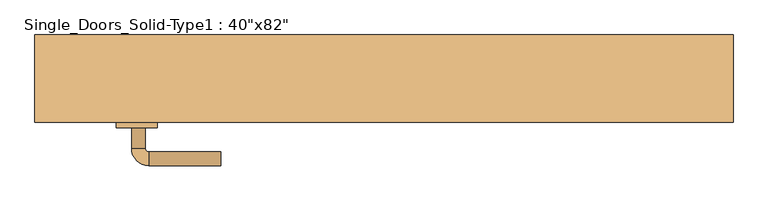
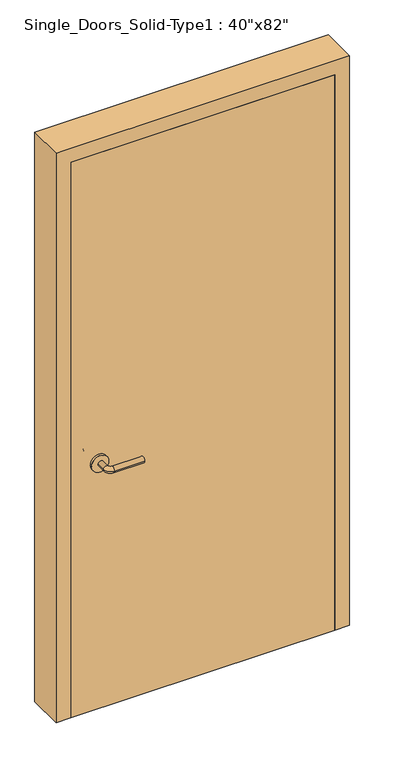
"""IFC4 building model written with IfcOpenShell, lengths in millimetres: door geometry."""

from ifc_helpers import new_model, si_unit, point, frame, frame_2d, origin, origin_with_axes, place, context, project, spatial, polyline, circle_curve, ellipse_curve, trimmed, segment, composite_curve, outline, extrude, faceted_brep, source, transform, mapped, element, save
from ifc_brep_helpers import plane_surface, cylinder_surface, revolved_surface, advanced_brep


def door_a2517e42(model_context):
    return source(origin(), model_context, "Body", "SolidModel", [
        advanced_brep(
        [(-367.2, -17.4, 900.0), (-347.2, -17.4, 900.0), (-367.2, 12.6, 900.0), (-347.2, 12.6, 900.0), (-342.2, 17.6, 900.0), (-342.2, 37.6, 900.0), (-237.2, 37.6, 900.0), (-237.2, 17.6, 900.0)],
        [
            (0, 1, circle_curve(frame((-357.2, -17.4, 900.0), z_axis=(0.0, -1.0, 0.0), x_axis=(1.0, 0.0, 0.0)), 10.0)),
            (1, 0, circle_curve(frame((-357.2, -17.4, 900.0), z_axis=(0.0, -1.0, 0.0), x_axis=(1.0, 0.0, 0.0)), 10.0)),
            (0, 2),
            (2, 3, circle_curve(frame((-357.2, 12.6, 900.0), z_axis=(0.0, -1.0, 0.0), x_axis=(1.0, 0.0, 0.0)), 10.0)),
            (3, 1),
            (3, 2, circle_curve(frame((-357.2, 12.6, 900.0), z_axis=(0.0, -1.0, 0.0), x_axis=(1.0, 0.0, 0.0)), 10.0)),
            (4, 3, circle_curve(frame((-342.2, 12.6, 900.0), z_axis=(0.0, 0.0, 1.0), x_axis=(-1.0, 0.0, 0.0)), 5.0)),
            (2, 5, circle_curve(frame((-342.2, 12.6, 900.0), z_axis=(0.0, 0.0, -1.0), x_axis=(-1.0, 0.0, 0.0)), 25.0)),
            (5, 4, circle_curve(frame((-342.2, 27.6, 900.0), z_axis=(-1.0, 0.0, 0.0), x_axis=(0.0, -1.0, 0.0)), 10.0)),
            (4, 5, circle_curve(frame((-342.2, 27.6, 900.0), z_axis=(-1.0, 0.0, 0.0), x_axis=(0.0, -1.0, 0.0)), 10.0)),
            (6, 7, circle_curve(frame((-237.2, 27.6, 900.0), z_axis=(1.0, 0.0, 0.0), x_axis=(0.0, -1.0, 0.0)), 10.0)),
            (7, 6, circle_curve(frame((-237.2, 27.6, 900.0), z_axis=(1.0, 0.0, 0.0), x_axis=(0.0, -1.0, 0.0)), 10.0)),
            (5, 6),
            (7, 4),
        ],
        [
            plane_surface(frame((-357.2, -17.4, 900.0), z_axis=(0.0, -1.0, 0.0), x_axis=(0.0, 0.0, 1.0))),
            cylinder_surface(frame((-357.2, -17.4, 900.0), z_axis=(0.0, -1.0, 0.0), x_axis=(1.0, 0.0, 0.0)), 10.0),
            revolved_surface(trimmed(ellipse_curve(frame((-357.2, 12.6, 900.0), z_axis=(0.0, -1.0, 0.0), x_axis=(1.0, 0.0, 0.0)), 10.0, 10.0), [point((-367.2, 12.6, 900.0))], [point((-347.2, 12.6, 900.0))], True, "CARTESIAN"), (-342.2, 12.6, 900.0), (0.0, 0.0, -1.0)),
            revolved_surface(trimmed(ellipse_curve(frame((-357.2, 12.6, 900.0), z_axis=(0.0, -1.0, 0.0), x_axis=(1.0, 0.0, 0.0)), 10.0, 10.0), [point((-347.2, 12.6, 900.0))], [point((-367.2, 12.6, 900.0))], True, "CARTESIAN"), (-342.2, 12.6, 900.0), (0.0, 0.0, -1.0)),
            plane_surface(frame((-237.2, 27.6, 900.0), z_axis=(1.0, 0.0, 0.0), x_axis=(0.0, 0.0, 1.0))),
            cylinder_surface(frame((-342.2, 27.6, 900.0), z_axis=(-1.0, 0.0, 0.0), x_axis=(0.0, -1.0, 0.0)), 10.0),
        ],
        [
            (0, [[1, 2]]),
            (1, [[-1, 3, 4, 5]]),
            (1, [[-2, -5, 6, -3]]),
            (2, [[7, -4, 8, 9]]),
            (3, [[-8, -6, -7, 10]]),
            (4, [[11, 12]]),
            (5, [[-9, 13, -12, 14]]),
            (5, [[-10, -14, -11, -13]]),
        ],
    ),
        extrude(outline(composite_curve([segment(trimmed(circle_curve(frame_2d((900.0, -359.7)), 30.0), [point((900.0, -389.7))], [point((900.0, -329.7))], False, "CARTESIAN"), True, "CONTINUOUS"), segment(trimmed(circle_curve(frame_2d((900.0, -359.7)), 30.0), [point((900.0, -329.7))], [point((900.0, -389.7))], False, "CARTESIAN"), True, "CONTINUOUS")], self_intersect=False)), frame((0.0, -25.4, 0.0), z_axis=(0.0, 1.0, 0.0), x_axis=(0.0, 0.0, 1.0)), (0.0, 0.0, 1.0), 8.0),
        advanced_brep(
        [(-367.2, -71.5, 900.0), (-347.2, -71.5, 900.0), (-347.2, -101.5, 900.0), (-367.2, -101.5, 900.0), (-342.2, -106.5, 900.0), (-342.2, -126.5, 900.0), (-237.2, -126.5, 900.0), (-237.2, -106.5, 900.0)],
        [
            (0, 1, circle_curve(frame((-357.2, -71.5, 900.0), z_axis=(0.0, 1.0, 0.0), x_axis=(1.0, 0.0, 0.0)), 10.0)),
            (1, 0, circle_curve(frame((-357.2, -71.5, 900.0), z_axis=(0.0, 1.0, 0.0), x_axis=(1.0, 0.0, 0.0)), 10.0)),
            (1, 2),
            (2, 3, circle_curve(frame((-357.2, -101.5, 900.0), z_axis=(0.0, 1.0, 0.0), x_axis=(1.0, 0.0, 0.0)), 10.0)),
            (3, 0),
            (3, 2, circle_curve(frame((-357.2, -101.5, 900.0), z_axis=(0.0, 1.0, 0.0), x_axis=(1.0, 0.0, 0.0)), 10.0)),
            (4, 5, circle_curve(frame((-342.2, -116.5, 900.0), z_axis=(-1.0, 0.0, 0.0), x_axis=(0.0, 1.0, 0.0)), 10.0)),
            (5, 3, circle_curve(frame((-342.2, -101.5, 900.0), z_axis=(0.0, 0.0, -1.0), x_axis=(-1.0, 0.0, 0.0)), 25.0)),
            (2, 4, circle_curve(frame((-342.2, -101.5, 900.0), z_axis=(0.0, 0.0, 1.0), x_axis=(-1.0, 0.0, 0.0)), 5.0)),
            (5, 4, circle_curve(frame((-342.2, -116.5, 900.0), z_axis=(-1.0, 0.0, 0.0), x_axis=(0.0, 1.0, 0.0)), 10.0)),
            (6, 7, circle_curve(frame((-237.2, -116.5, 900.0), z_axis=(1.0, 0.0, 0.0), x_axis=(0.0, 1.0, 0.0)), 10.0)),
            (7, 6, circle_curve(frame((-237.2, -116.5, 900.0), z_axis=(1.0, 0.0, 0.0), x_axis=(0.0, 1.0, 0.0)), 10.0)),
            (4, 7),
            (6, 5),
        ],
        [
            plane_surface(frame((-357.2, -71.5, 900.0), z_axis=(0.0, 1.0, 0.0), x_axis=(0.0, 0.0, 1.0))),
            cylinder_surface(frame((-357.2, -71.5, 900.0), z_axis=(0.0, 1.0, 0.0), x_axis=(1.0, 0.0, 0.0)), 10.0),
            revolved_surface(trimmed(ellipse_curve(frame((-357.2, -101.5, 900.0), z_axis=(0.0, -1.0, 0.0), x_axis=(1.0, 0.0, 0.0)), 10.0, 10.0), [point((-367.2, -101.5, 900.0))], [point((-347.2, -101.5, 900.0))], True, "CARTESIAN"), (-342.2, -101.5, 900.0), (0.0, 0.0, -1.0)),
            revolved_surface(trimmed(ellipse_curve(frame((-357.2, -101.5, 900.0), z_axis=(0.0, -1.0, 0.0), x_axis=(1.0, 0.0, 0.0)), 10.0, 10.0), [point((-347.2, -101.5, 900.0))], [point((-367.2, -101.5, 900.0))], True, "CARTESIAN"), (-342.2, -101.5, 900.0), (0.0, 0.0, -1.0)),
            plane_surface(frame((-237.2, -116.5, 900.0), z_axis=(1.0, 0.0, 0.0), x_axis=(0.0, 0.0, 1.0))),
            cylinder_surface(frame((-342.2, -116.5, 900.0), z_axis=(-1.0, 0.0, 0.0), x_axis=(0.0, 1.0, 0.0)), 10.0),
        ],
        [
            (0, [[1, 2]]),
            (1, [[3, 4, 5, -2]]),
            (1, [[-5, 6, -3, -1]]),
            (2, [[7, 8, -4, 9]]),
            (3, [[10, -9, -6, -8]]),
            (4, [[11, 12]]),
            (5, [[13, -11, 14, -7]]),
            (5, [[-14, -12, -13, -10]]),
        ],
    ),
        extrude(outline(composite_curve([segment(trimmed(circle_curve(frame_2d((900.0, -359.7)), 30.0), [point((900.0, -389.7))], [point((900.0, -329.7))], False, "CARTESIAN"), True, "CONTINUOUS"), segment(trimmed(circle_curve(frame_2d((900.0, -359.7)), 30.0), [point((900.0, -329.7))], [point((900.0, -389.7))], False, "CARTESIAN"), True, "CONTINUOUS")], self_intersect=False)), frame((0.0, -71.5, 0.0), z_axis=(0.0, 1.0, 0.0), x_axis=(0.0, 0.0, 1.0)), (0.0, 0.0, 1.0), 8.0),
        faceted_brep([(-508.0, 63.5, 0.0), (-457.2, 63.5, 0.0), (-457.2, 38.1, 0.0), (-444.5, 38.1, 0.0), (-444.5, -25.4, 0.0), (-457.2, -25.4, 0.0), (-457.2, -63.5, 0.0), (-508.0, -63.5, 0.0), (-508.0, -63.5, 2082.8), (-508.0, 63.5, 2082.8), (-457.2, -63.5, 2032.0), (457.2, -63.5, 2032.0), (457.2, -63.5, 0.0), (508.0, -63.5, 0.0), (508.0, -63.5, 2082.8), (-457.2, -25.4, 2032.0), (-444.5, -25.4, 2019.3), (444.5, -25.4, 2019.3), (444.5, -25.4, 0.0), (457.2, -25.4, 0.0), (457.2, -25.4, 2032.0), (-444.5, 38.1, 2019.3), (-457.2, 38.1, 2032.0), (457.2, 38.1, 2032.0), (457.2, 38.1, 0.0), (444.5, 38.1, 0.0), (444.5, 38.1, 2019.3), (-457.2, 63.5, 2032.0), (508.0, 63.5, 2082.8), (508.0, 63.5, 0.0), (457.2, 63.5, 0.0), (457.2, 63.5, 2032.0)], [[[0, 1, 2, 3, 4, 5, 6, 7]], [[7, 8, 9, 0]], [[6, 10, 11, 12, 13, 14, 8, 7]], [[5, 15, 10, 6]], [[4, 16, 17, 18, 19, 20, 15, 5]], [[3, 21, 16, 4]], [[2, 22, 23, 24, 25, 26, 21, 3]], [[1, 27, 22, 2]], [[0, 9, 28, 29, 30, 31, 27, 1]], [[14, 13, 29, 28]], [[29, 13, 12, 19, 18, 25, 24, 30]], [[20, 19, 12, 11]], [[26, 25, 18, 17]], [[31, 30, 24, 23]], [[8, 14, 28, 9]], [[15, 20, 11, 10]], [[21, 26, 17, 16]], [[27, 31, 23, 22]]]),
        extrude(outline(polyline([(457.2, -25.4), (457.2, -63.5), (-457.2, -63.5), (-457.2, -25.4), (457.2, -25.4)])), origin_with_axes(), (0.0, 0.0, 1.0), 2032.0),
    ])


if __name__ == "__main__":
    model = new_model("IFC4")
    model_context = context("Model", 3, world=origin())
    ifc_project = project(units=[si_unit("LENGTHUNIT", "METRE", prefix="MILLI")], contexts=[model_context])
    site = spatial("IfcSite", under=ifc_project)
    building = spatial("IfcBuilding", under=site)
    placement = place(None, origin())
    door_shape = door_a2517e42(model_context)
    element("IfcDoor", 1, ObjectType="Single_Doors_Solid-Type1 : 40\"x82\"", at=placement, inside=building, context=model_context, shape_type="MappedRepresentation", body=[
        mapped(door_shape, transform((0.0, 0.0, 0.0), x_axis=(1.0, 0.0, 0.0), y_axis=(0.0, 1.0, 0.0), z_axis=(0.0, 0.0, 1.0))),
    ])
    save(model, "model.ifc")
